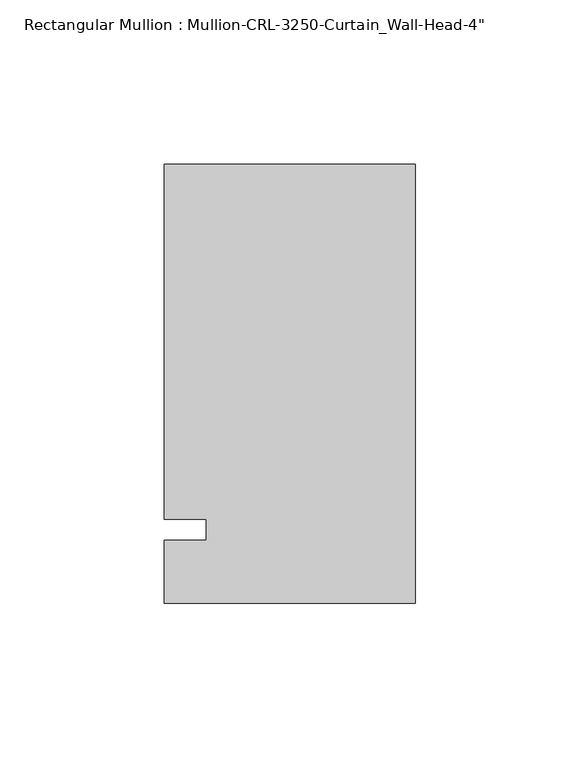
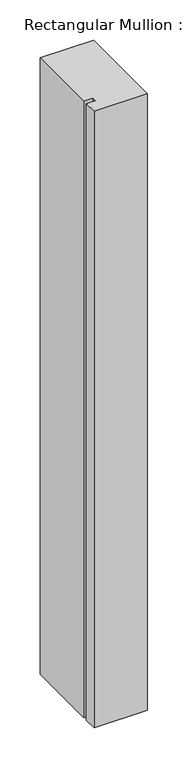
"""IFC4 building model written with IfcOpenShell, lengths in millimetres: member geometry."""

import ifcopenshell
import ifcopenshell.guid

model = None  # the IFC model being written
_history = None  # IfcOwnerHistory: only IFC2X3 demands one
_inside = {}  # id of a spatial element -> (the spatial element, [elements in it])
_under = {}  # id of a project, library or spatial element -> (it, [spatial elements below it])
_declared = {}  # id of a project -> (the project, [libraries it declares])
_typed = {}  # id of a type object -> (the type object, [elements of that type])
_made_of = {}  # id of a material, layer set ... -> (it, [elements and type objects made of it])


def new_model(schema):
    """Start an empty IFC model of exactly this schema.

    Asked for "IFC4X3", IfcOpenShell would pick the latest addendum, in which some entities
    have other attributes; the version numbers below select the first issue.
    IFC2X3 requires an IfcOwnerHistory on every rooted entity: one is made here for all.
    """
    global model, _history
    if schema == "IFC4X3":
        model = ifcopenshell.file(schema_version=(4, 3, 0, 0))
    else:
        model = ifcopenshell.file(schema=schema)
    _inside.clear()
    _under.clear()
    _declared.clear()
    _typed.clear()
    _made_of.clear()
    _history = None
    if model.schema == "IFC2X3":
        org = make("IfcOrganization", Name="unknown")
        user = make(
            "IfcPersonAndOrganization",
            ThePerson=make("IfcPerson", FamilyName="unknown"),
            TheOrganization=org,
        )
        app = make(
            "IfcApplication",
            ApplicationDeveloper=org,
            Version="unknown",
            ApplicationFullName="unknown",
            ApplicationIdentifier="unknown",
        )
        _history = make(
            "IfcOwnerHistory",
            OwningUser=user,
            OwningApplication=app,
            ChangeAction="ADDED",
            CreationDate=0,
        )
    return model


def make(cls, **values):
    """One entity of the class cls with the attributes given. An attribute that is None is left unset."""
    return model.create_entity(
        cls, **{name: value for name, value in values.items() if value is not None}
    )


def rooted(cls, **values):
    """An entity with a GlobalId (a new one), such as an element, a storey or a relation."""
    return make(cls, GlobalId=ifcopenshell.guid.new(), OwnerHistory=_history, **values)


def si_unit(unit_type, name, prefix=None):
    """IfcSIUnit, for example si_unit("LENGTHUNIT", "METRE", prefix="MILLI")."""
    return make("IfcSIUnit", UnitType=unit_type, Prefix=prefix, Name=name)


def assignment(units):
    """IfcUnitAssignment: the units of a project."""
    return None if units is None else make("IfcUnitAssignment", Units=units)


def point(xyz):
    """IfcCartesianPoint."""
    return None if xyz is None else make("IfcCartesianPoint", Coordinates=xyz)


def direction(xyz):
    """IfcDirection."""
    return None if xyz is None else make("IfcDirection", DirectionRatios=xyz)


def frame(location, z_axis=None, x_axis=None):
    """IfcAxis2Placement3D, a coordinate frame: its origin and axes. An axis left out is left unset."""
    return make(
        "IfcAxis2Placement3D",
        Location=point(location),
        Axis=direction(z_axis),
        RefDirection=direction(x_axis),
    )


def origin():
    """The frame at (0, 0, 0) with its axes left unset."""
    return frame((0.0, 0.0, 0.0))


def place(relative_to, where):
    """IfcLocalPlacement: puts the frame where relative to a parent placement (None: the world)."""
    return make(
        "IfcLocalPlacement", PlacementRelTo=relative_to, RelativePlacement=where
    )


def context(
    kind, dimensions, precision=None, world=None, true_north=None, identifier=None
):
    """IfcGeometricRepresentationContext, for example the 3D "Model" context."""
    return make(
        "IfcGeometricRepresentationContext",
        ContextIdentifier=identifier,
        ContextType=kind,
        CoordinateSpaceDimension=dimensions,
        Precision=precision,
        WorldCoordinateSystem=world,
        TrueNorth=true_north,
    )


def project(units=None, contexts=None):
    """IfcProject with its units and contexts."""
    return rooted(
        "IfcProject",
        Name="project",
        RepresentationContexts=contexts,
        UnitsInContext=assignment(units),
    )


def spatial(cls, under=None, at=None, **own):
    """A site, building, storey or space (cls), placed at a placement, below another one or the project."""
    s = rooted(cls, ObjectPlacement=at, **own)
    if under is not None:
        _under.setdefault(under.id(), (under, []))[1].append(s)
    return s


def polyline(points):
    """IfcPolyline through the points."""
    return make("IfcPolyline", Points=[point(p) for p in points])


def outline(outer, holes=None, kind="AREA"):
    """IfcArbitraryClosedProfileDef: a profile drawn as a closed curve; with holes, ...WithVoids."""
    if holes is None:
        return make("IfcArbitraryClosedProfileDef", ProfileType=kind, OuterCurve=outer)
    return make(
        "IfcArbitraryProfileDefWithVoids",
        ProfileType=kind,
        OuterCurve=outer,
        InnerCurves=holes,
    )


def extrude(swept, where, along, depth):
    """IfcExtrudedAreaSolid: the profile swept, set in the frame where, extruded along a direction by depth."""
    return make(
        "IfcExtrudedAreaSolid",
        SweptArea=swept,
        Position=where,
        ExtrudedDirection=direction(along),
        Depth=depth,
    )


def shape(context_of_items, identifier, shape_type, items):
    """IfcShapeRepresentation: the items that make up one representation, for example the "Body"."""
    return make(
        "IfcShapeRepresentation",
        ContextOfItems=context_of_items,
        RepresentationIdentifier=identifier,
        RepresentationType=shape_type,
        Items=items,
    )


def source(mapping_origin, context_of_items, identifier, shape_type, items):
    """IfcRepresentationMap: a shape defined once, which mapped items show again and again."""
    return make(
        "IfcRepresentationMap",
        MappingOrigin=mapping_origin,
        MappedRepresentation=shape(context_of_items, identifier, shape_type, items),
    )


def transform(
    local_origin,
    x_axis=None,
    y_axis=None,
    z_axis=None,
    scale=None,
    scale2=None,
    scale3=None,
    uniform=True,
):
    """IfcCartesianTransformationOperator3D, or its non-uniform kind. x_axis, y_axis, z_axis: its Axis1, 2, 3."""
    if uniform:
        return make(
            "IfcCartesianTransformationOperator3D",
            Axis1=direction(x_axis),
            Axis2=direction(y_axis),
            LocalOrigin=point(local_origin),
            Scale=scale,
            Axis3=direction(z_axis),
        )
    return make(
        "IfcCartesianTransformationOperator3DnonUniform",
        Axis1=direction(x_axis),
        Axis2=direction(y_axis),
        LocalOrigin=point(local_origin),
        Scale=scale,
        Axis3=direction(z_axis),
        Scale2=scale2,
        Scale3=scale3,
    )


def mapped(mapping_source, mapping_target):
    """IfcMappedItem: shows the shape of a source again, moved by a transform."""
    return make(
        "IfcMappedItem", MappingSource=mapping_source, MappingTarget=mapping_target
    )


def made_of(thing, what):
    """Note that an element or type object is made of a material, layer set ...; save() writes the relation."""
    if what is not None:
        _made_of.setdefault(what.id(), (what, []))[1].append(thing)
    return thing


def element(
    cls,
    number,
    at=None,
    inside=None,
    cuts=None,
    type_object=None,
    material=None,
    context=None,
    identifier="Body",
    shape_type=None,
    held_by="IfcProductDefinitionShape",
    body=None,
    shapes=None,
    **own,
):
    """One element of the class cls, such as IfcWall. Its Tag is "e" and its number.

    at: its placement. inside: the storey or other place that contains it. cuts: it is an
    opening in that element (IfcRelVoidsElement). A single representation is given by context,
    identifier, shape_type and body (its items); several are given by shapes. held_by: the class
    of the entity that holds the representations. save() writes the other relations.
    """
    e = rooted(cls, Tag="e%d" % number, ObjectPlacement=at, **own)
    if body is not None:
        shapes = [shape(context, identifier, shape_type, body)]
    if shapes is not None:
        e.Representation = make(held_by, Representations=shapes)
    if inside is not None:
        _inside.setdefault(inside.id(), (inside, []))[1].append(e)
    if cuts is not None:
        rooted(
            "IfcRelVoidsElement", RelatingBuildingElement=cuts, RelatedOpeningElement=e
        )
    if type_object is not None:
        _typed.setdefault(type_object.id(), (type_object, []))[1].append(e)
    return made_of(e, material)


def aggregate(whole, parts):
    """IfcRelAggregates: a whole, such as a stair, and the parts it consists of."""
    return rooted("IfcRelAggregates", RelatingObject=whole, RelatedObjects=parts)


def save(model, path):
    """Write the relations noted so far, then the file.

    IfcRelAggregates (storeys below a building ...), IfcRelContainedInSpatialStructure (elements
    in a storey), IfcRelDefinesByType, IfcRelAssociatesMaterial and IfcRelDeclares: one each for
    every whole, place, type object, material and project.
    """
    for whole, parts in _under.values():
        aggregate(whole, parts)
    for where, things in _inside.values():
        rooted(
            "IfcRelContainedInSpatialStructure",
            RelatedElements=things,
            RelatingStructure=where,
        )
    for kind, things in _typed.values():
        rooted("IfcRelDefinesByType", RelatedObjects=things, RelatingType=kind)
    for what, things in _made_of.values():
        rooted("IfcRelAssociatesMaterial", RelatedObjects=things, RelatingMaterial=what)
    for by, libraries in _declared.values():
        rooted("IfcRelDeclares", RelatingContext=by, RelatedDefinitions=libraries)
    model.write(path)


def member_34e050a1(model_context):
    return source(origin(), model_context, "Body", "SweptSolid", [
        extrude(outline(polyline([(0.0, -22.2254168), (-76.199997, -22.2254168), (-76.199997, -3.175), (-63.499997, -3.175), (-63.499997, 3.175), (-76.199997, 3.175), (-76.199997, 111.1245832), (0.0, 111.1245832), (0.0, -22.2254168)])), frame((0.0, 0.0, -933.4410361), z_axis=(0.0, 0.0, 1.0), x_axis=(1.0, 0.0, 0.0)), (0.0, 0.0, 1.0), 933.4410361),
    ])


if __name__ == "__main__":
    model = new_model("IFC4")
    model_context = context("Model", 3, world=origin())
    ifc_project = project(units=[si_unit("LENGTHUNIT", "METRE", prefix="MILLI")], contexts=[model_context])
    site = spatial("IfcSite", under=ifc_project)
    building = spatial("IfcBuilding", under=site)
    placement = place(None, origin())
    member_shape = member_34e050a1(model_context)
    element("IfcMember", 1, ObjectType="Rectangular Mullion : Mullion-CRL-3250-Curtain_Wall-Head-4\"", at=placement, inside=building, context=model_context, shape_type="MappedRepresentation", body=[
        mapped(member_shape, transform((0.0, 0.0, 0.0), x_axis=(1.0, 0.0, 0.0), y_axis=(0.0, 1.0, 0.0), z_axis=(0.0, 0.0, 1.0))),
    ])
    save(model, "model.ifc")
